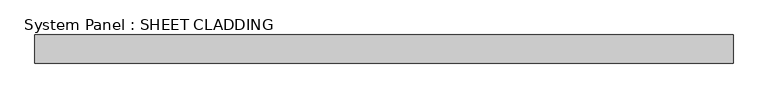
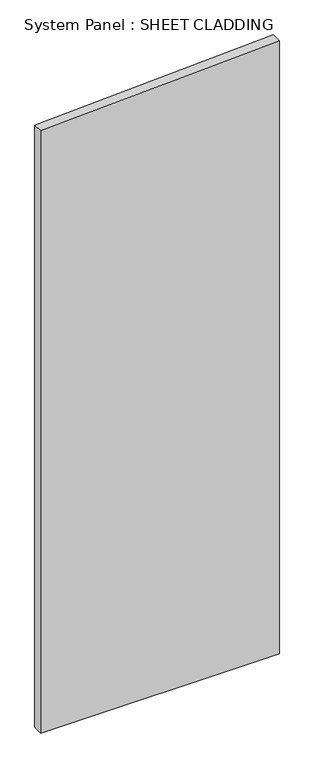
"""IFC4 building model written with IfcOpenShell, lengths in millimetres: plate geometry, System Panel : SHEET CLADDING."""

import ifcopenshell
import ifcopenshell.guid

model = None  # the IFC model being written
_history = None  # IfcOwnerHistory: only IFC2X3 demands one
_inside = {}  # id of a spatial element -> (the spatial element, [elements in it])
_under = {}  # id of a project, library or spatial element -> (it, [spatial elements below it])
_declared = {}  # id of a project -> (the project, [libraries it declares])
_typed = {}  # id of a type object -> (the type object, [elements of that type])
_made_of = {}  # id of a material, layer set ... -> (it, [elements and type objects made of it])


def new_model(schema):
    """Start an empty IFC model of exactly this schema.

    Asked for "IFC4X3", IfcOpenShell would pick the latest addendum, in which some entities
    have other attributes; the version numbers below select the first issue.
    IFC2X3 requires an IfcOwnerHistory on every rooted entity: one is made here for all.
    """
    global model, _history
    if schema == "IFC4X3":
        model = ifcopenshell.file(schema_version=(4, 3, 0, 0))
    else:
        model = ifcopenshell.file(schema=schema)
    _inside.clear()
    _under.clear()
    _declared.clear()
    _typed.clear()
    _made_of.clear()
    _history = None
    if model.schema == "IFC2X3":
        org = make("IfcOrganization", Name="unknown")
        user = make(
            "IfcPersonAndOrganization",
            ThePerson=make("IfcPerson", FamilyName="unknown"),
            TheOrganization=org,
        )
        app = make(
            "IfcApplication",
            ApplicationDeveloper=org,
            Version="unknown",
            ApplicationFullName="unknown",
            ApplicationIdentifier="unknown",
        )
        _history = make(
            "IfcOwnerHistory",
            OwningUser=user,
            OwningApplication=app,
            ChangeAction="ADDED",
            CreationDate=0,
        )
    return model


def make(cls, **values):
    """One entity of the class cls with the attributes given. An attribute that is None is left unset."""
    return model.create_entity(
        cls, **{name: value for name, value in values.items() if value is not None}
    )


def rooted(cls, **values):
    """An entity with a GlobalId (a new one), such as an element, a storey or a relation."""
    return make(cls, GlobalId=ifcopenshell.guid.new(), OwnerHistory=_history, **values)


def si_unit(unit_type, name, prefix=None):
    """IfcSIUnit, for example si_unit("LENGTHUNIT", "METRE", prefix="MILLI")."""
    return make("IfcSIUnit", UnitType=unit_type, Prefix=prefix, Name=name)


def assignment(units):
    """IfcUnitAssignment: the units of a project."""
    return None if units is None else make("IfcUnitAssignment", Units=units)


def point(xyz):
    """IfcCartesianPoint."""
    return None if xyz is None else make("IfcCartesianPoint", Coordinates=xyz)


def direction(xyz):
    """IfcDirection."""
    return None if xyz is None else make("IfcDirection", DirectionRatios=xyz)


def frame(location, z_axis=None, x_axis=None):
    """IfcAxis2Placement3D, a coordinate frame: its origin and axes. An axis left out is left unset."""
    return make(
        "IfcAxis2Placement3D",
        Location=point(location),
        Axis=direction(z_axis),
        RefDirection=direction(x_axis),
    )


def origin():
    """The frame at (0, 0, 0) with its axes left unset."""
    return frame((0.0, 0.0, 0.0))


def place(relative_to, where):
    """IfcLocalPlacement: puts the frame where relative to a parent placement (None: the world)."""
    return make(
        "IfcLocalPlacement", PlacementRelTo=relative_to, RelativePlacement=where
    )


def context(
    kind, dimensions, precision=None, world=None, true_north=None, identifier=None
):
    """IfcGeometricRepresentationContext, for example the 3D "Model" context."""
    return make(
        "IfcGeometricRepresentationContext",
        ContextIdentifier=identifier,
        ContextType=kind,
        CoordinateSpaceDimension=dimensions,
        Precision=precision,
        WorldCoordinateSystem=world,
        TrueNorth=true_north,
    )


def project(units=None, contexts=None):
    """IfcProject with its units and contexts."""
    return rooted(
        "IfcProject",
        Name="project",
        RepresentationContexts=contexts,
        UnitsInContext=assignment(units),
    )


def spatial(cls, under=None, at=None, **own):
    """A site, building, storey or space (cls), placed at a placement, below another one or the project."""
    s = rooted(cls, ObjectPlacement=at, **own)
    if under is not None:
        _under.setdefault(under.id(), (under, []))[1].append(s)
    return s


def polyline(points):
    """IfcPolyline through the points."""
    return make("IfcPolyline", Points=[point(p) for p in points])


def outline(outer, holes=None, kind="AREA"):
    """IfcArbitraryClosedProfileDef: a profile drawn as a closed curve; with holes, ...WithVoids."""
    if holes is None:
        return make("IfcArbitraryClosedProfileDef", ProfileType=kind, OuterCurve=outer)
    return make(
        "IfcArbitraryProfileDefWithVoids",
        ProfileType=kind,
        OuterCurve=outer,
        InnerCurves=holes,
    )


def extrude(swept, where, along, depth):
    """IfcExtrudedAreaSolid: the profile swept, set in the frame where, extruded along a direction by depth."""
    return make(
        "IfcExtrudedAreaSolid",
        SweptArea=swept,
        Position=where,
        ExtrudedDirection=direction(along),
        Depth=depth,
    )


def shape(context_of_items, identifier, shape_type, items):
    """IfcShapeRepresentation: the items that make up one representation, for example the "Body"."""
    return make(
        "IfcShapeRepresentation",
        ContextOfItems=context_of_items,
        RepresentationIdentifier=identifier,
        RepresentationType=shape_type,
        Items=items,
    )


def source(mapping_origin, context_of_items, identifier, shape_type, items):
    """IfcRepresentationMap: a shape defined once, which mapped items show again and again."""
    return make(
        "IfcRepresentationMap",
        MappingOrigin=mapping_origin,
        MappedRepresentation=shape(context_of_items, identifier, shape_type, items),
    )


def transform(
    local_origin,
    x_axis=None,
    y_axis=None,
    z_axis=None,
    scale=None,
    scale2=None,
    scale3=None,
    uniform=True,
):
    """IfcCartesianTransformationOperator3D, or its non-uniform kind. x_axis, y_axis, z_axis: its Axis1, 2, 3."""
    if uniform:
        return make(
            "IfcCartesianTransformationOperator3D",
            Axis1=direction(x_axis),
            Axis2=direction(y_axis),
            LocalOrigin=point(local_origin),
            Scale=scale,
            Axis3=direction(z_axis),
        )
    return make(
        "IfcCartesianTransformationOperator3DnonUniform",
        Axis1=direction(x_axis),
        Axis2=direction(y_axis),
        LocalOrigin=point(local_origin),
        Scale=scale,
        Axis3=direction(z_axis),
        Scale2=scale2,
        Scale3=scale3,
    )


def mapped(mapping_source, mapping_target):
    """IfcMappedItem: shows the shape of a source again, moved by a transform."""
    return make(
        "IfcMappedItem", MappingSource=mapping_source, MappingTarget=mapping_target
    )


def made_of(thing, what):
    """Note that an element or type object is made of a material, layer set ...; save() writes the relation."""
    if what is not None:
        _made_of.setdefault(what.id(), (what, []))[1].append(thing)
    return thing


def element(
    cls,
    number,
    at=None,
    inside=None,
    cuts=None,
    type_object=None,
    material=None,
    context=None,
    identifier="Body",
    shape_type=None,
    held_by="IfcProductDefinitionShape",
    body=None,
    shapes=None,
    **own,
):
    """One element of the class cls, such as IfcWall. Its Tag is "e" and its number.

    at: its placement. inside: the storey or other place that contains it. cuts: it is an
    opening in that element (IfcRelVoidsElement). A single representation is given by context,
    identifier, shape_type and body (its items); several are given by shapes. held_by: the class
    of the entity that holds the representations. save() writes the other relations.
    """
    e = rooted(cls, Tag="e%d" % number, ObjectPlacement=at, **own)
    if body is not None:
        shapes = [shape(context, identifier, shape_type, body)]
    if shapes is not None:
        e.Representation = make(held_by, Representations=shapes)
    if inside is not None:
        _inside.setdefault(inside.id(), (inside, []))[1].append(e)
    if cuts is not None:
        rooted(
            "IfcRelVoidsElement", RelatingBuildingElement=cuts, RelatedOpeningElement=e
        )
    if type_object is not None:
        _typed.setdefault(type_object.id(), (type_object, []))[1].append(e)
    return made_of(e, material)


def aggregate(whole, parts):
    """IfcRelAggregates: a whole, such as a stair, and the parts it consists of."""
    return rooted("IfcRelAggregates", RelatingObject=whole, RelatedObjects=parts)


def save(model, path):
    """Write the relations noted so far, then the file.

    IfcRelAggregates (storeys below a building ...), IfcRelContainedInSpatialStructure (elements
    in a storey), IfcRelDefinesByType, IfcRelAssociatesMaterial and IfcRelDeclares: one each for
    every whole, place, type object, material and project.
    """
    for whole, parts in _under.values():
        aggregate(whole, parts)
    for where, things in _inside.values():
        rooted(
            "IfcRelContainedInSpatialStructure",
            RelatedElements=things,
            RelatingStructure=where,
        )
    for kind, things in _typed.values():
        rooted("IfcRelDefinesByType", RelatedObjects=things, RelatingType=kind)
    for what, things in _made_of.values():
        rooted("IfcRelAssociatesMaterial", RelatedObjects=things, RelatingMaterial=what)
    for by, libraries in _declared.values():
        rooted("IfcRelDeclares", RelatingContext=by, RelatedDefinitions=libraries)
    model.write(path)


def system_panel_sheet_cladding_7ca6f05f(model_context):
    return source(origin(), model_context, "Body", "SweptSolid", [
        extrude(outline(polyline([(0.0, -735.4591837), (0.0, 735.4591837), (3991.1969388, 735.4591837), (3917.6510204, -735.4591837), (0.0, -735.4591837)])), frame((0.0, -10.5, 0.0), z_axis=(0.0, 1.0, 0.0), x_axis=(0.0, 0.0, 1.0)), (0.0, 0.0, 1.0), 60.0),
    ])


if __name__ == "__main__":
    model = new_model("IFC4")
    model_context = context("Model", 3, world=origin())
    ifc_project = project(units=[si_unit("LENGTHUNIT", "METRE", prefix="MILLI")], contexts=[model_context])
    site = spatial("IfcSite", under=ifc_project)
    building = spatial("IfcBuilding", under=site)
    placement = place(None, origin())
    system_panel_sheet_cladding_shape = system_panel_sheet_cladding_7ca6f05f(model_context)
    element("IfcPlate", 1, ObjectType="System Panel : SHEET CLADDING", at=placement, inside=building, context=model_context, shape_type="MappedRepresentation", body=[
        mapped(system_panel_sheet_cladding_shape, transform((0.0, 0.0, 0.0), x_axis=(1.0, 0.0, 0.0), y_axis=(0.0, 1.0, 0.0), z_axis=(0.0, 0.0, 1.0))),
    ])
    save(model, "model.ifc")
